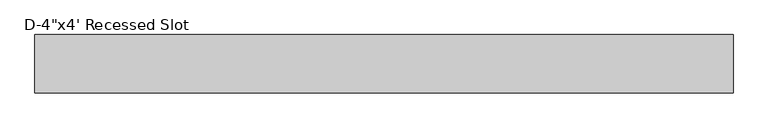
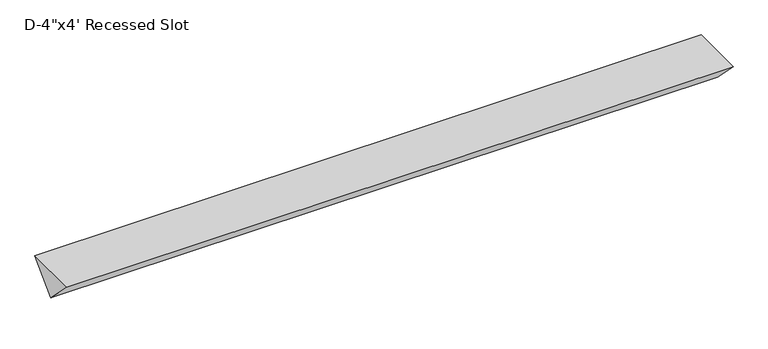
"""IFC4 building model written with IfcOpenShell, lengths in millimetres: light fixture geometry."""

from ifc_helpers import new_model, si_unit, frame, origin, place, context, project, spatial, polyline, outline, extrude, source, transform, mapped, element, save


def light_fixture_1bb71ce3(model_context):
    return source(origin(), model_context, "Body", "SweptSolid", [
        extrude(outline(polyline([(-101.6, 0.0), (0.0, 0.0), (-50.8, -50.8), (-101.6, 0.0)])), frame((0.0, 0.0, 0.0), z_axis=(1.0, 0.0, 0.0), x_axis=(0.0, 1.0, 0.0)), (0.0, 0.0, 1.0), 1219.2),
    ])


if __name__ == "__main__":
    model = new_model("IFC4")
    model_context = context("Model", 3, world=origin())
    ifc_project = project(units=[si_unit("LENGTHUNIT", "METRE", prefix="MILLI")], contexts=[model_context])
    site = spatial("IfcSite", under=ifc_project)
    building = spatial("IfcBuilding", under=site)
    placement = place(None, origin())
    light_fixture_shape = light_fixture_1bb71ce3(model_context)
    element("IfcLightFixture", 1, ObjectType="D-4\"x4' Recessed Slot", at=placement, inside=building, context=model_context, shape_type="MappedRepresentation", body=[
        mapped(light_fixture_shape, transform((0.0, 0.0, 0.0), x_axis=(1.0, 0.0, 0.0), y_axis=(0.0, 1.0, 0.0), z_axis=(0.0, 0.0, 1.0))),
    ])
    save(model, "model.ifc")
